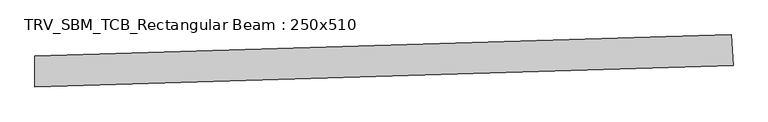
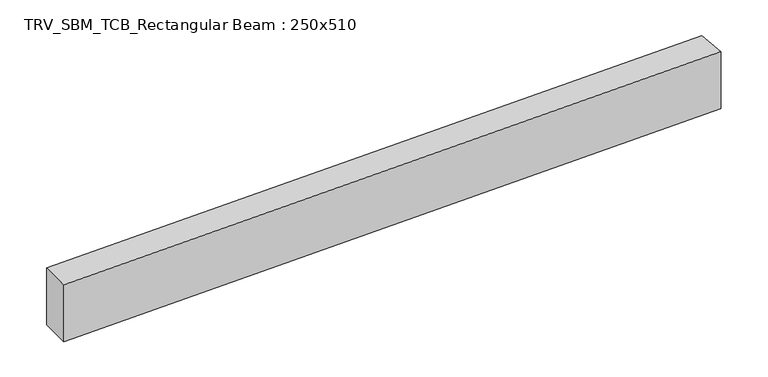
"""IFC4 building model written with IfcOpenShell, lengths in millimetres: beam geometry, TRV_SBM_TCB_Rectangular Beam : 250x510."""

from ifc_helpers import new_model, si_unit, point, frame, frame_2d, origin, place, context, project, spatial, polyline, circle_curve, trimmed, segment, composite_curve, outline, extrude, source, transform, mapped, element, save


def trv_sbm_tcb_rectangular_beam_250x510_475300a9(model_context):
    return source(origin(), model_context, "Body", "SweptSolid", [
        extrude(outline(composite_curve([segment(polyline([(5644.149223, 298.9340768), (5659.5429561, 49.4084609)]), True, "CONTINUOUS"), segment(trimmed(circle_curve(frame_2d((0.0, 91788.1004573)), 91913.1004573), [point((5659.5429561, 49.4084609))], [point((-12.7189227, -124.99912))], False, "CARTESIAN"), True, "CONTINUOUS"), segment(polyline([(-12.7189227, -124.99912), (-12.6843278, 125.0008776)]), True, "CONTINUOUS"), segment(trimmed(circle_curve(frame_2d((0.0, 91788.1004573)), 91663.1004573), [point((-12.6843278, 125.0008776))], [point((5644.149223, 298.9340768))], True, "CARTESIAN"), True, "CONTINUOUS")], self_intersect=False)), frame((0.0, 0.0, -255.0), z_axis=(0.0, 0.0, 1.0), x_axis=(1.0, 0.0, 0.0)), (0.0, 0.0, 1.0), 510.0),
    ])


if __name__ == "__main__":
    model = new_model("IFC4")
    model_context = context("Model", 3, world=origin())
    ifc_project = project(units=[si_unit("LENGTHUNIT", "METRE", prefix="MILLI")], contexts=[model_context])
    site = spatial("IfcSite", under=ifc_project)
    building = spatial("IfcBuilding", under=site)
    placement = place(None, origin())
    trv_sbm_tcb_rectangular_beam_250x510_shape = trv_sbm_tcb_rectangular_beam_250x510_475300a9(model_context)
    element("IfcBeam", 1, ObjectType="TRV_SBM_TCB_Rectangular Beam : 250x510", at=placement, inside=building, context=model_context, shape_type="MappedRepresentation", body=[
        mapped(trv_sbm_tcb_rectangular_beam_250x510_shape, transform((0.0, 0.0, 0.0), x_axis=(1.0, 0.0, 0.0), y_axis=(0.0, 1.0, 0.0), z_axis=(0.0, 0.0, 1.0))),
    ])
    save(model, "model.ifc")
